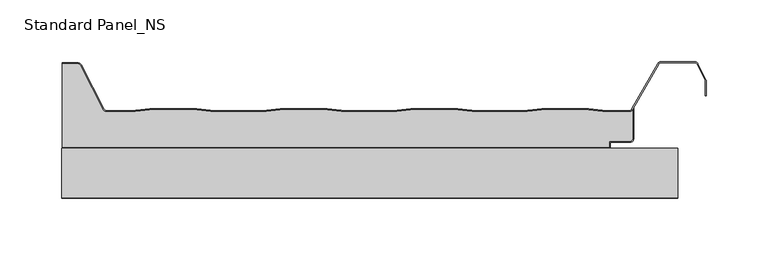
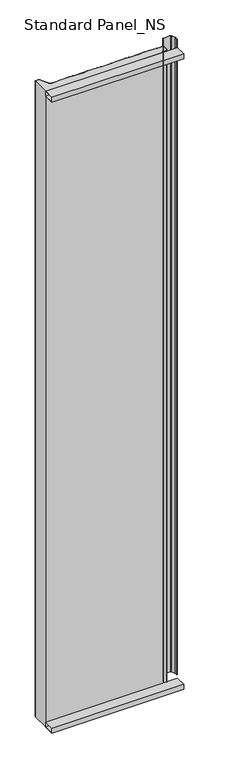
"""IFC4 building model written with IfcOpenShell, lengths in millimetres: proxy geometry, Standard Panel_NS."""

from ifc_helpers import new_model, si_unit, point, frame, frame_2d, origin, origin_with_axes, place, context, project, spatial, polyline, circle_curve, trimmed, segment, composite_curve, outline, extrude, source, transform, mapped, element, save


def standard_panel_ns_e4a3b2cf(model_context):
    return source(origin(), model_context, "Body", "SweptSolid", [
        extrude(outline(polyline([(40.0, 0.0), (0.0, 0.0), (0.0, 20.0), (40.0, 20.0), (40.0, 0.0)]), holes=[polyline([(0.9, 19.1), (0.9, 0.9), (39.1, 0.9), (39.1, 19.1), (0.9, 19.1)])]), frame((-249.9999998, 0.0, 0.0), z_axis=(1.0, 0.0, 0.0), x_axis=(0.0, 1.0, 0.0)), (0.0, 0.0, 1.0), 499.9999997),
        extrude(outline(polyline([(40.0, 2549.5097568), (40.0, 2529.5097568), (0.0, 2529.5097568), (0.0, 2549.5097568), (40.0, 2549.5097568)]), holes=[polyline([(0.9, 2548.6097568), (0.9, 2530.4097568), (39.1, 2530.4097568), (39.1, 2548.6097568), (0.9, 2548.6097568)])]), frame((-249.9999998, 0.0, 0.0), z_axis=(1.0, 0.0, 0.0), x_axis=(0.0, 1.0, 0.0)), (0.0, 0.0, 1.0), 499.9999997),
        extrude(outline(composite_curve([segment(trimmed(circle_curve(frame_2d((211.2333676, 47.9776976)), 2.1), [point((213.3333676, 47.9776976))], [point((211.2333676, 45.8776976))], False, "CARTESIAN"), True, "CONTINUOUS"), segment(polyline([(211.2333676, 45.8776976), (194.4044995, 45.8776976), (194.4044995, 40.8776976), (-249.4999998, 40.8776976), (-249.4999998, 108.61), (-236.856809, 108.61)]), True, "CONTINUOUS"), segment(trimmed(circle_curve(frame_2d((-236.856809, 106.41)), 2.2), [point((-236.856809, 108.61))], [point((-234.886672, 107.389061))], False, "CARTESIAN"), True, "CONTINUOUS"), segment(polyline([(-234.886672, 107.389061), (-216.5484349, 71.7067576)]), True, "CONTINUOUS"), segment(trimmed(circle_curve(frame_2d((-213.150958, 73.4088594)), 3.8), [point((-216.5484349, 71.7067576))], [point((-213.150958, 69.6088594))], True, "CARTESIAN"), True, "CONTINUOUS"), segment(polyline([(-213.150958, 69.6088594), (-193.3070694, 69.6088594), (-178.4996096, 71.4), (-140.4767285, 71.4), (-125.6575299, 69.6074394), (-87.3188082, 69.6074394), (-72.4996096, 71.4), (-34.4767285, 71.4), (-19.6433531, 69.6057246), (18.667015, 69.6057246), (33.5003904, 71.4), (71.5232715, 71.4), (86.3708237, 69.6040097), (124.6528382, 69.6040097), (139.5003904, 71.4), (177.5232715, 71.4), (192.3850005, 69.6022949), (210.2255766, 69.6022949)]), True, "CONTINUOUS"), segment(trimmed(circle_curve(frame_2d((210.179188, 73.4020117)), 3.8), [point((210.2255766, 69.6022949))], [point((213.3333676, 71.2827781))], True, "CARTESIAN"), True, "CONTINUOUS"), segment(polyline([(213.3333676, 71.2827781), (213.3333676, 47.9776976)]), True, "CONTINUOUS")], self_intersect=False)), origin_with_axes(), (0.0, 0.0, 1.0), 2549.5097568),
        extrude(outline(composite_curve([segment(trimmed(circle_curve(frame_2d((-236.856809, 106.41)), 3.0), [point((-236.856809, 109.41))], [point((-234.1728576, 107.7503003))], False, "CARTESIAN"), True, "CONTINUOUS"), segment(polyline([(-234.1728576, 107.7503003), (-215.8349094, 72.0685591)]), True, "CONTINUOUS"), segment(trimmed(circle_curve(frame_2d((-213.150958, 73.4088594)), 3.0), [point((-215.8349094, 72.0685591))], [point((-213.150958, 70.4088594))], True, "CARTESIAN"), True, "CONTINUOUS"), segment(polyline([(-213.150958, 70.4088594), (-193.3552785, 70.4088594), (-178.5478187, 72.2), (-140.4285194, 72.2), (-125.6093208, 70.4074394), (-87.3670173, 70.4074394), (-72.5478187, 72.2), (-34.4285194, 72.2), (-19.595144, 70.4057246), (18.6188059, 70.4057246), (33.4521813, 72.2), (71.5714806, 72.2), (86.4190328, 70.4040097), (124.6046291, 70.4040097), (139.4521813, 72.2), (177.5714806, 72.2), (192.4332096, 70.4022949), (210.1379709, 70.4022949)]), True, "CONTINUOUS"), segment(trimmed(circle_curve(frame_2d((210.179188, 73.4020117)), 3.0), [point((210.1379709, 70.4022949))], [point((212.8067154, 71.9542204))], True, "CARTESIAN"), True, "CONTINUOUS"), segment(polyline([(212.8067154, 71.9542204), (233.7091409, 108.8490344)]), True, "CONTINUOUS"), segment(trimmed(circle_curve(frame_2d((236.3366683, 107.401243)), 3.0), [point((233.7091409, 108.8490344))], [point((236.3366683, 110.401243))], False, "CARTESIAN"), True, "CONTINUOUS"), segment(polyline([(236.3366683, 110.401243), (263.6856737, 110.401243)]), True, "CONTINUOUS"), segment(trimmed(circle_curve(frame_2d((263.6856737, 107.401243)), 3.0), [point((263.6856737, 110.401243))], [point((266.3696251, 108.7415434))], False, "CARTESIAN"), True, "CONTINUOUS"), segment(polyline([(266.3696251, 108.7415434), (272.89881, 95.6668507)]), True, "CONTINUOUS"), segment(trimmed(circle_curve(frame_2d((270.2148586, 94.3265504)), 3.0), [point((272.89881, 95.6668507))], [point((273.2148586, 94.3265504))], False, "CARTESIAN"), True, "CONTINUOUS"), segment(polyline([(273.2148586, 94.3265504), (273.2148586, 82.8571101), (272.4148586, 82.8571101), (272.4148586, 94.3265504)]), True, "CONTINUOUS"), segment(trimmed(circle_curve(frame_2d((270.2148586, 94.3265504)), 2.2), [point((272.4148586, 94.3265504))], [point((272.1830896, 95.3094373))], True, "CARTESIAN"), True, "CONTINUOUS"), segment(polyline([(272.1830896, 95.3094373), (265.6539047, 108.3841299)]), True, "CONTINUOUS"), segment(trimmed(circle_curve(frame_2d((263.6856737, 107.401243)), 2.2), [point((265.6539047, 108.3841299))], [point((263.6856737, 109.601243))], True, "CARTESIAN"), True, "CONTINUOUS"), segment(polyline([(263.6856737, 109.601243), (236.3366683, 109.601243)]), True, "CONTINUOUS"), segment(trimmed(circle_curve(frame_2d((236.3366683, 107.401243)), 2.2), [point((236.3366683, 109.601243))], [point((234.4077106, 108.4591287))], True, "CARTESIAN"), True, "CONTINUOUS"), segment(polyline([(234.4077106, 108.4591287), (213.5049667, 71.5637527)]), True, "CONTINUOUS"), segment(trimmed(circle_curve(frame_2d((210.179188, 73.4020117)), 3.8), [point((213.5049667, 71.5637527))], [point((210.1327994, 69.6022949))], False, "CARTESIAN"), True, "CONTINUOUS"), segment(polyline([(210.1327994, 69.6022949), (192.3850005, 69.6022949), (177.5232715, 71.4), (139.5003904, 71.4), (124.6528382, 69.6040097), (86.3708237, 69.6040097), (71.5232715, 71.4), (33.5003904, 71.4), (18.667015, 69.6057246), (-19.6433531, 69.6057246), (-34.4767285, 71.4), (-72.4996096, 71.4), (-87.3188082, 69.6074394), (-125.6575299, 69.6074394), (-140.4767285, 71.4), (-178.4996096, 71.4), (-193.3070694, 69.6088594), (-213.150958, 69.6088594)]), True, "CONTINUOUS"), segment(trimmed(circle_curve(frame_2d((-213.150958, 73.4088594)), 3.8), [point((-213.150958, 69.6088594))], [point((-216.5484349, 71.7067576))], False, "CARTESIAN"), True, "CONTINUOUS"), segment(polyline([(-216.5484349, 71.7067576), (-234.886672, 107.389061)]), True, "CONTINUOUS"), segment(trimmed(circle_curve(frame_2d((-236.856809, 106.41)), 2.2), [point((-234.886672, 107.389061))], [point((-236.856809, 108.61))], True, "CARTESIAN"), True, "CONTINUOUS"), segment(polyline([(-236.856809, 108.61), (-249.4999998, 108.61), (-249.4999998, 109.41), (-236.856809, 109.41)]), True, "CONTINUOUS")], self_intersect=False)), origin_with_axes(), (0.0, 0.0, 1.0), 2549.5097568),
        extrude(outline(composite_curve([segment(polyline([(194.4044995, 40.9), (194.4044995, 45.9), (211.2333676, 45.9)]), True, "CONTINUOUS"), segment(trimmed(circle_curve(frame_2d((211.2333676, 48.0)), 2.1), [point((211.2333676, 45.9))], [point((213.3333676, 48.0))], True, "CARTESIAN"), True, "CONTINUOUS"), segment(polyline([(213.3333676, 48.0), (213.3333676, 71.2827781), (214.2333676, 72.8494512), (214.2333676, 48.0)]), True, "CONTINUOUS"), segment(trimmed(circle_curve(frame_2d((211.2333676, 48.0)), 3.0), [point((214.2333676, 48.0))], [point((211.2333676, 45.0))], False, "CARTESIAN"), True, "CONTINUOUS"), segment(polyline([(211.2333676, 45.0), (195.3044995, 45.0), (195.3044995, 40.0), (-249.4999998, 40.0), (-249.4999998, 40.9), (194.4044995, 40.9)]), True, "CONTINUOUS")], self_intersect=False)), origin_with_axes(), (0.0, 0.0, 1.0), 2549.5097568),
    ])


if __name__ == "__main__":
    model = new_model("IFC4")
    model_context = context("Model", 3, world=origin())
    ifc_project = project(units=[si_unit("LENGTHUNIT", "METRE", prefix="MILLI")], contexts=[model_context])
    site = spatial("IfcSite", under=ifc_project)
    building = spatial("IfcBuilding", under=site)
    placement = place(None, origin())
    standard_panel_ns_shape = standard_panel_ns_e4a3b2cf(model_context)
    element("IfcBuildingElementProxy", 1, Name="Standard Panel_NS", ObjectType="Standard Panel_NS", at=placement, inside=building, context=model_context, shape_type="MappedRepresentation", body=[
        mapped(standard_panel_ns_shape, transform((0.0, 0.0, 0.0), x_axis=(1.0, 0.0, 0.0), y_axis=(0.0, 1.0, 0.0), z_axis=(0.0, 0.0, 1.0))),
    ])
    save(model, "model.ifc")
